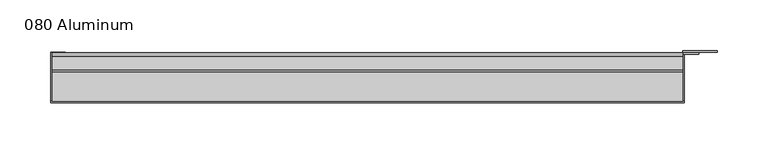
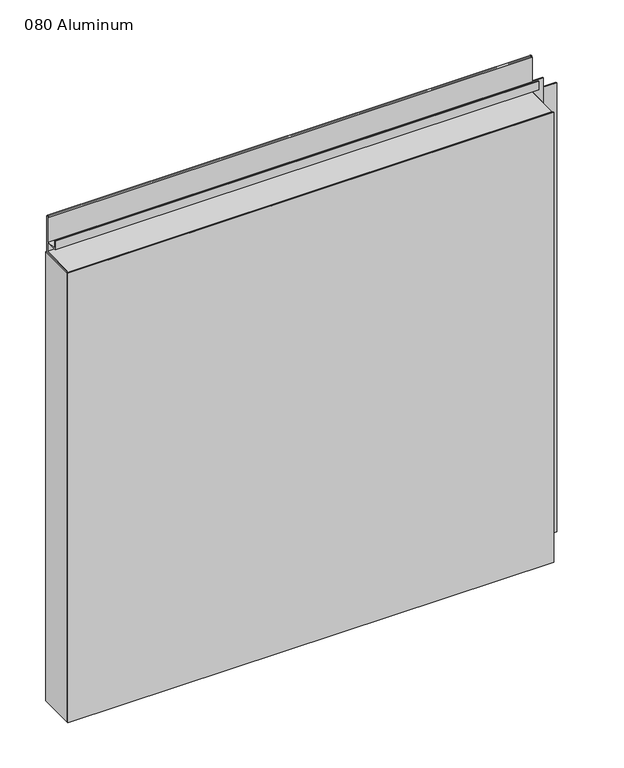
"""IFC4 building model written with IfcOpenShell, lengths in millimetres: plate geometry, 080 Aluminum."""

from ifc_helpers import new_model, si_unit, point, frame, frame_2d, origin, origin_with_axes, place, context, project, spatial, polyline, circle_curve, trimmed, segment, composite_curve, outline, extrude, source, transform, mapped, element, save


def plate_080_aluminum_14f80611(model_context):
    return source(origin(), model_context, "Body", "SweptSolid", [
        extrude(outline(polyline([(-316.23, -2.5660257), (-316.23, -49.5300001), (-317.4999999, -49.5300001), (-317.4999999, -1.2699999), (-303.3394994, -1.2699999), (-303.3394994, -2.5660257), (-316.23, -2.5660257)])), origin_with_axes(), (0.0, 0.0, 1.0), 608.33),
        extrude(outline(composite_curve([segment(polyline([(-16.6765477, 13.1458337), (-16.6765477, 2.786437), (-17.9464915, 2.786437), (-17.9464915, 13.1323356)]), True, "CONTINUOUS"), segment(trimmed(circle_curve(frame_2d((-19.8514743, 13.124237)), 1.905), [point((-17.9464915, 13.1323356))], [point((-21.7564743, 13.124237))], True, "CARTESIAN"), True, "CONTINUOUS"), segment(polyline([(-21.7564743, 13.124237), (-21.7564743, 0.0), (-49.5300002, 0.0), (-49.5300002, 1.2693678), (-23.0264743, 1.2693678), (-23.0264743, 13.124237)]), True, "CONTINUOUS"), segment(trimmed(circle_curve(frame_2d((-19.8514743, 13.124237)), 3.175), [point((-23.0264743, 13.124237))], [point((-16.6765477, 13.1458337))], False, "CARTESIAN"), True, "CONTINUOUS")], self_intersect=False)), frame((-316.23, 0.0, 0.0), z_axis=(1.0, 0.0, 0.0), x_axis=(0.0, 1.0, 0.0)), (0.0, 0.0, 1.0), 619.76),
        extrude(outline(composite_curve([segment(polyline([(-2.0574743, 656.7932001), (-2.0574743, 608.33), (-49.5300002, 608.33), (-49.5300002, 609.6000001), (-3.3274743, 609.6000001), (-3.3274743, 656.7932001)]), True, "CONTINUOUS"), segment(trimmed(circle_curve(frame_2d((-3.7084742, 656.7932001)), 0.3809999), [point((-3.3274743, 656.7932001))], [point((-4.0894742, 656.7932001))], True, "CARTESIAN"), True, "CONTINUOUS"), segment(polyline([(-4.0894742, 656.7932001), (-4.0894742, 622.3), (-20.4864742, 622.3), (-20.4864742, 633.6538), (-19.2164743, 633.6538), (-19.2164743, 623.57), (-5.3594742, 623.57), (-5.3594742, 656.7932001)]), True, "CONTINUOUS"), segment(trimmed(circle_curve(frame_2d((-3.7084742, 656.7932001)), 1.6509999), [point((-5.3594742, 656.7932001))], [point((-2.0574743, 656.7932001))], False, "CARTESIAN"), True, "CONTINUOUS")], self_intersect=False)), frame((-316.23, 0.0, 0.0), z_axis=(1.0, 0.0, 0.0), x_axis=(0.0, 1.0, 0.0)), (0.0, 0.0, 1.0), 619.76),
        extrude(outline(polyline([(-317.5, -50.8), (-317.5, -49.5300001), (304.8, -49.5300001), (304.8, -50.8), (-317.5, -50.8)])), origin_with_axes(), (0.0, 0.0, 1.0), 609.6),
        extrude(outline(polyline([(304.8, -1.2699999), (304.8, -49.5300002), (303.5300001, -49.5300002), (303.5300001, 0.0), (337.3120856, 0.0), (337.3120856, -1.2699999), (304.8, -1.2699999)])), origin_with_axes(), (0.0, 0.0, 1.0), 608.33),
        extrude(outline(polyline([(303.53, -3.3274743), (303.53, -2.0574743), (319.2779999, -2.0574743), (319.2779999, -3.3274743), (303.53, -3.3274743)])), origin_with_axes(), (0.0, 0.0, 1.0), 622.3),
    ])


if __name__ == "__main__":
    model = new_model("IFC4")
    model_context = context("Model", 3, world=origin())
    ifc_project = project(units=[si_unit("LENGTHUNIT", "METRE", prefix="MILLI")], contexts=[model_context])
    site = spatial("IfcSite", under=ifc_project)
    building = spatial("IfcBuilding", under=site)
    placement = place(None, origin())
    plate_080_aluminum_shape = plate_080_aluminum_14f80611(model_context)
    element("IfcPlate", 1, ObjectType="080 Aluminum", at=placement, inside=building, context=model_context, shape_type="MappedRepresentation", body=[
        mapped(plate_080_aluminum_shape, transform((0.0, 0.0, 0.0), x_axis=(1.0, 0.0, 0.0), y_axis=(0.0, 1.0, 0.0), z_axis=(0.0, 0.0, 1.0))),
    ])
    save(model, "model.ifc")
